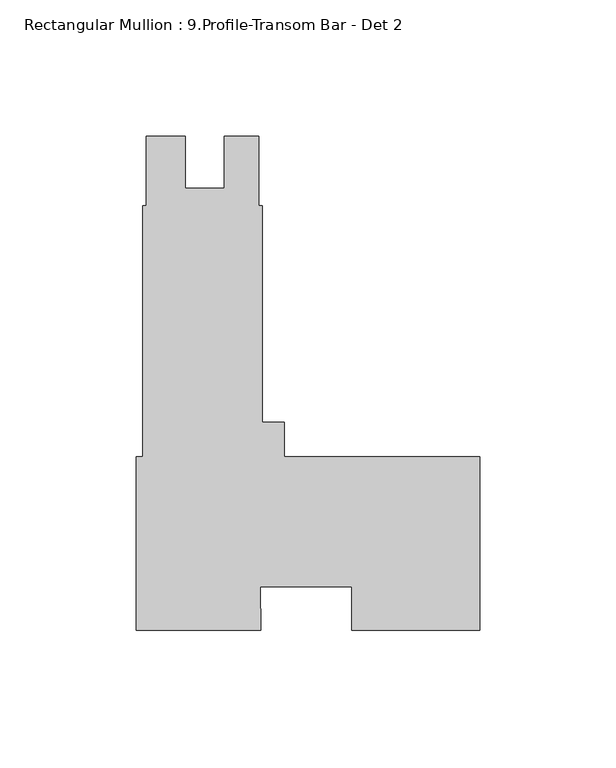
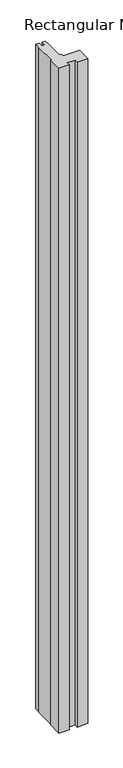
"""IFC4 building model written with IfcOpenShell, lengths in millimetres: member geometry, Rectangular Mullion : 9.Profile-Transom Bar - Det 2."""

from ifc_helpers import new_model, si_unit, frame, origin, place, context, project, spatial, polyline, outline, extrude, source, transform, mapped, element, save


def rectangular_mullion_9_profile_transom_bar_det_2_daa8d629(model_context):
    return source(origin(), model_context, "Body", "SweptSolid", [
        extrude(outline(polyline([(0.0, -31.75), (-46.8503, -31.75), (-46.8503, -15.8624762), (-80.4752652, -15.8624762), (-80.2810629, -31.75), (-125.7808, -31.75), (-125.7808, 31.75), (-123.39955, 31.75), (-123.39955, 123.825), (-122.1422337, 123.825), (-122.1422337, 149.225), (-107.88015, 149.225), (-107.88015, 130.1877), (-93.59265, 130.1877), (-93.59265, 149.225), (-80.87995, 149.225), (-80.87995, 123.825), (-79.60995, 123.825), (-79.60995, 44.45), (-71.6026, 44.45), (-71.6026, 31.75), (0.0, 31.75), (0.0, -31.75)])), frame((0.0, 0.0, -3048.0), z_axis=(0.0, 0.0, 1.0), x_axis=(1.0, 0.0, 0.0)), (0.0, 0.0, 1.0), 3048.0),
    ])


if __name__ == "__main__":
    model = new_model("IFC4")
    model_context = context("Model", 3, world=origin())
    ifc_project = project(units=[si_unit("LENGTHUNIT", "METRE", prefix="MILLI")], contexts=[model_context])
    site = spatial("IfcSite", under=ifc_project)
    building = spatial("IfcBuilding", under=site)
    placement = place(None, origin())
    rectangular_mullion_9_profile_transom_bar_det_2_shape = rectangular_mullion_9_profile_transom_bar_det_2_daa8d629(model_context)
    element("IfcMember", 1, ObjectType="Rectangular Mullion : 9.Profile-Transom Bar - Det 2", at=placement, inside=building, context=model_context, shape_type="MappedRepresentation", body=[
        mapped(rectangular_mullion_9_profile_transom_bar_det_2_shape, transform((0.0, 0.0, 0.0), x_axis=(1.0, 0.0, 0.0), y_axis=(0.0, 1.0, 0.0), z_axis=(0.0, 0.0, 1.0))),
    ])
    save(model, "model.ifc")
